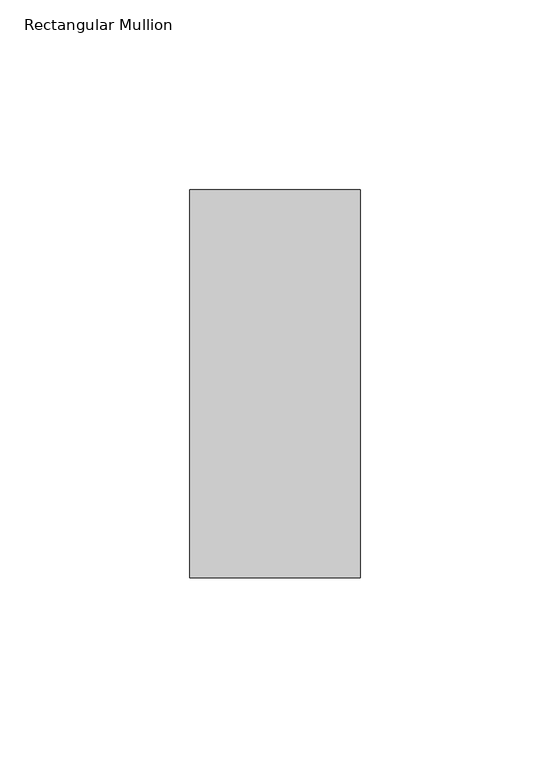
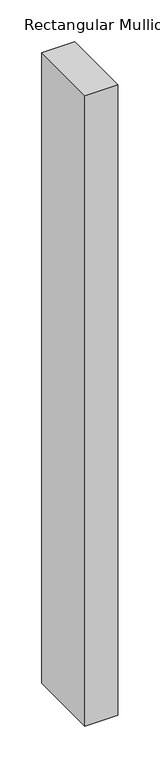
"""IFC4 building model written with IfcOpenShell, lengths in millimetres: member geometry, Rectangular Mullion."""

from ifc_helpers import new_model, si_unit, frame, origin, place, context, project, spatial, polyline, outline, extrude, source, transform, mapped, element, save


def rectangular_mullion_3d11b4c5(model_context):
    return source(origin(), model_context, "Body", "SweptSolid", [
        extrude(outline(polyline([(22.5, 66.73125), (22.5, -35.73125), (-22.5, -35.73125), (-22.5, 66.73125), (22.5, 66.73125)])), frame((0.0, 0.0, -916.787254), z_axis=(0.0, 0.0, 1.0), x_axis=(1.0, 0.0, 0.0)), (0.0, 0.0, 1.0), 916.787254),
    ])


if __name__ == "__main__":
    model = new_model("IFC4")
    model_context = context("Model", 3, world=origin())
    ifc_project = project(units=[si_unit("LENGTHUNIT", "METRE", prefix="MILLI")], contexts=[model_context])
    site = spatial("IfcSite", under=ifc_project)
    building = spatial("IfcBuilding", under=site)
    placement = place(None, origin())
    rectangular_mullion_shape = rectangular_mullion_3d11b4c5(model_context)
    element("IfcMember", 1, ObjectType="Rectangular Mullion", at=placement, inside=building, context=model_context, shape_type="MappedRepresentation", body=[
        mapped(rectangular_mullion_shape, transform((0.0, 0.0, 0.0), x_axis=(1.0, 0.0, 0.0), y_axis=(0.0, 1.0, 0.0), z_axis=(0.0, 0.0, 1.0))),
    ])
    save(model, "model.ifc")
